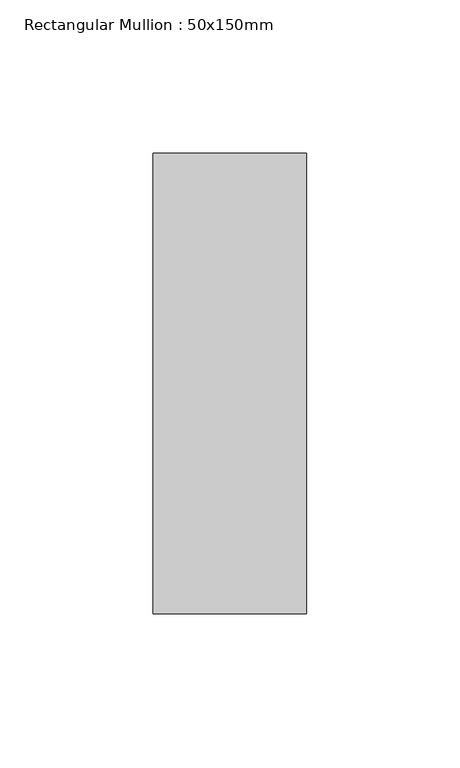
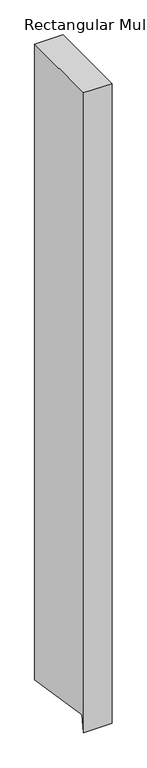
"""IFC4 building model written with IfcOpenShell, lengths in millimetres: member geometry, Rectangular Mullion : 50x150mm."""

from ifc_helpers import new_model, si_unit, frame, origin, place, context, project, spatial, polyline, outline, extrude, source, transform, mapped, element, save


def rectangular_mullion_50x150mm_eaec6ae5(model_context):
    return source(origin(), model_context, "Body", "SweptSolid", [
        extrude(outline(polyline([(-75.0, 0.0), (75.0, 0.0), (75.0, -1188.0429252), (-70.1657639, -1165.0509269), (-75.0, -1195.5730923), (-75.0, 0.0)])), frame((-50.0, 0.0, 0.0), z_axis=(1.0, 0.0, 0.0), x_axis=(0.0, 1.0, 0.0)), (0.0, 0.0, 1.0), 50.0),
    ])


if __name__ == "__main__":
    model = new_model("IFC4")
    model_context = context("Model", 3, world=origin())
    ifc_project = project(units=[si_unit("LENGTHUNIT", "METRE", prefix="MILLI")], contexts=[model_context])
    site = spatial("IfcSite", under=ifc_project)
    building = spatial("IfcBuilding", under=site)
    placement = place(None, origin())
    rectangular_mullion_50x150mm_shape = rectangular_mullion_50x150mm_eaec6ae5(model_context)
    element("IfcMember", 1, ObjectType="Rectangular Mullion : 50x150mm", at=placement, inside=building, context=model_context, shape_type="MappedRepresentation", body=[
        mapped(rectangular_mullion_50x150mm_shape, transform((0.0, 0.0, 0.0), x_axis=(1.0, 0.0, 0.0), y_axis=(0.0, 1.0, 0.0), z_axis=(0.0, 0.0, 1.0))),
    ])
    save(model, "model.ifc")
